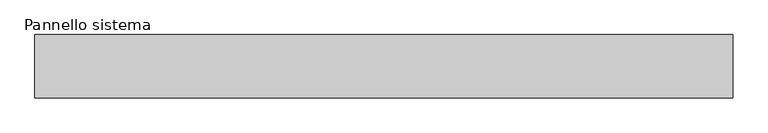
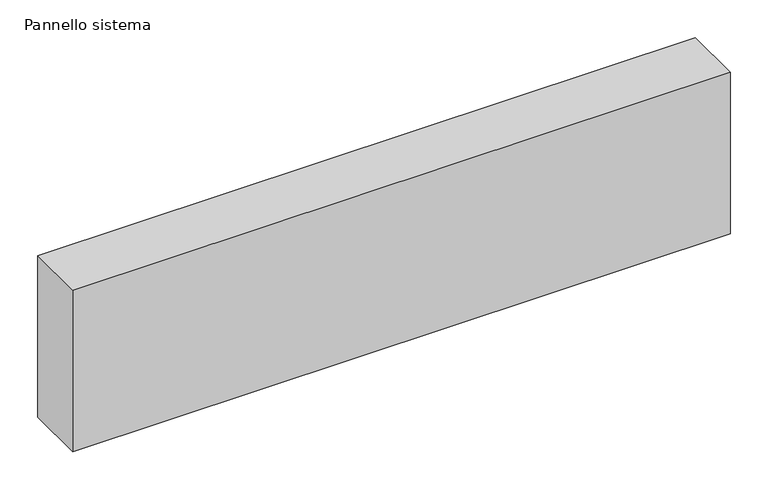
"""IFC4 building model written with IfcOpenShell, lengths in millimetres: plate geometry, Pannello sistema."""

import ifcopenshell
import ifcopenshell.guid

model = None  # the IFC model being written
_history = None  # IfcOwnerHistory: only IFC2X3 demands one
_inside = {}  # id of a spatial element -> (the spatial element, [elements in it])
_under = {}  # id of a project, library or spatial element -> (it, [spatial elements below it])
_declared = {}  # id of a project -> (the project, [libraries it declares])
_typed = {}  # id of a type object -> (the type object, [elements of that type])
_made_of = {}  # id of a material, layer set ... -> (it, [elements and type objects made of it])


def new_model(schema):
    """Start an empty IFC model of exactly this schema.

    Asked for "IFC4X3", IfcOpenShell would pick the latest addendum, in which some entities
    have other attributes; the version numbers below select the first issue.
    IFC2X3 requires an IfcOwnerHistory on every rooted entity: one is made here for all.
    """
    global model, _history
    if schema == "IFC4X3":
        model = ifcopenshell.file(schema_version=(4, 3, 0, 0))
    else:
        model = ifcopenshell.file(schema=schema)
    _inside.clear()
    _under.clear()
    _declared.clear()
    _typed.clear()
    _made_of.clear()
    _history = None
    if model.schema == "IFC2X3":
        org = make("IfcOrganization", Name="unknown")
        user = make(
            "IfcPersonAndOrganization",
            ThePerson=make("IfcPerson", FamilyName="unknown"),
            TheOrganization=org,
        )
        app = make(
            "IfcApplication",
            ApplicationDeveloper=org,
            Version="unknown",
            ApplicationFullName="unknown",
            ApplicationIdentifier="unknown",
        )
        _history = make(
            "IfcOwnerHistory",
            OwningUser=user,
            OwningApplication=app,
            ChangeAction="ADDED",
            CreationDate=0,
        )
    return model


def make(cls, **values):
    """One entity of the class cls with the attributes given. An attribute that is None is left unset."""
    return model.create_entity(
        cls, **{name: value for name, value in values.items() if value is not None}
    )


def rooted(cls, **values):
    """An entity with a GlobalId (a new one), such as an element, a storey or a relation."""
    return make(cls, GlobalId=ifcopenshell.guid.new(), OwnerHistory=_history, **values)


def si_unit(unit_type, name, prefix=None):
    """IfcSIUnit, for example si_unit("LENGTHUNIT", "METRE", prefix="MILLI")."""
    return make("IfcSIUnit", UnitType=unit_type, Prefix=prefix, Name=name)


def assignment(units):
    """IfcUnitAssignment: the units of a project."""
    return None if units is None else make("IfcUnitAssignment", Units=units)


def point(xyz):
    """IfcCartesianPoint."""
    return None if xyz is None else make("IfcCartesianPoint", Coordinates=xyz)


def direction(xyz):
    """IfcDirection."""
    return None if xyz is None else make("IfcDirection", DirectionRatios=xyz)


def frame(location, z_axis=None, x_axis=None):
    """IfcAxis2Placement3D, a coordinate frame: its origin and axes. An axis left out is left unset."""
    return make(
        "IfcAxis2Placement3D",
        Location=point(location),
        Axis=direction(z_axis),
        RefDirection=direction(x_axis),
    )


def origin():
    """The frame at (0, 0, 0) with its axes left unset."""
    return frame((0.0, 0.0, 0.0))


def origin_with_axes():
    """The frame at (0, 0, 0) with the z axis (0, 0, 1) and the x axis (1, 0, 0) written out."""
    return frame((0.0, 0.0, 0.0), z_axis=(0.0, 0.0, 1.0), x_axis=(1.0, 0.0, 0.0))


def place(relative_to, where):
    """IfcLocalPlacement: puts the frame where relative to a parent placement (None: the world)."""
    return make(
        "IfcLocalPlacement", PlacementRelTo=relative_to, RelativePlacement=where
    )


def context(
    kind, dimensions, precision=None, world=None, true_north=None, identifier=None
):
    """IfcGeometricRepresentationContext, for example the 3D "Model" context."""
    return make(
        "IfcGeometricRepresentationContext",
        ContextIdentifier=identifier,
        ContextType=kind,
        CoordinateSpaceDimension=dimensions,
        Precision=precision,
        WorldCoordinateSystem=world,
        TrueNorth=true_north,
    )


def project(units=None, contexts=None):
    """IfcProject with its units and contexts."""
    return rooted(
        "IfcProject",
        Name="project",
        RepresentationContexts=contexts,
        UnitsInContext=assignment(units),
    )


def spatial(cls, under=None, at=None, **own):
    """A site, building, storey or space (cls), placed at a placement, below another one or the project."""
    s = rooted(cls, ObjectPlacement=at, **own)
    if under is not None:
        _under.setdefault(under.id(), (under, []))[1].append(s)
    return s


def polyline(points):
    """IfcPolyline through the points."""
    return make("IfcPolyline", Points=[point(p) for p in points])


def outline(outer, holes=None, kind="AREA"):
    """IfcArbitraryClosedProfileDef: a profile drawn as a closed curve; with holes, ...WithVoids."""
    if holes is None:
        return make("IfcArbitraryClosedProfileDef", ProfileType=kind, OuterCurve=outer)
    return make(
        "IfcArbitraryProfileDefWithVoids",
        ProfileType=kind,
        OuterCurve=outer,
        InnerCurves=holes,
    )


def extrude(swept, where, along, depth):
    """IfcExtrudedAreaSolid: the profile swept, set in the frame where, extruded along a direction by depth."""
    return make(
        "IfcExtrudedAreaSolid",
        SweptArea=swept,
        Position=where,
        ExtrudedDirection=direction(along),
        Depth=depth,
    )


def shape(context_of_items, identifier, shape_type, items):
    """IfcShapeRepresentation: the items that make up one representation, for example the "Body"."""
    return make(
        "IfcShapeRepresentation",
        ContextOfItems=context_of_items,
        RepresentationIdentifier=identifier,
        RepresentationType=shape_type,
        Items=items,
    )


def source(mapping_origin, context_of_items, identifier, shape_type, items):
    """IfcRepresentationMap: a shape defined once, which mapped items show again and again."""
    return make(
        "IfcRepresentationMap",
        MappingOrigin=mapping_origin,
        MappedRepresentation=shape(context_of_items, identifier, shape_type, items),
    )


def transform(
    local_origin,
    x_axis=None,
    y_axis=None,
    z_axis=None,
    scale=None,
    scale2=None,
    scale3=None,
    uniform=True,
):
    """IfcCartesianTransformationOperator3D, or its non-uniform kind. x_axis, y_axis, z_axis: its Axis1, 2, 3."""
    if uniform:
        return make(
            "IfcCartesianTransformationOperator3D",
            Axis1=direction(x_axis),
            Axis2=direction(y_axis),
            LocalOrigin=point(local_origin),
            Scale=scale,
            Axis3=direction(z_axis),
        )
    return make(
        "IfcCartesianTransformationOperator3DnonUniform",
        Axis1=direction(x_axis),
        Axis2=direction(y_axis),
        LocalOrigin=point(local_origin),
        Scale=scale,
        Axis3=direction(z_axis),
        Scale2=scale2,
        Scale3=scale3,
    )


def mapped(mapping_source, mapping_target):
    """IfcMappedItem: shows the shape of a source again, moved by a transform."""
    return make(
        "IfcMappedItem", MappingSource=mapping_source, MappingTarget=mapping_target
    )


def made_of(thing, what):
    """Note that an element or type object is made of a material, layer set ...; save() writes the relation."""
    if what is not None:
        _made_of.setdefault(what.id(), (what, []))[1].append(thing)
    return thing


def element(
    cls,
    number,
    at=None,
    inside=None,
    cuts=None,
    type_object=None,
    material=None,
    context=None,
    identifier="Body",
    shape_type=None,
    held_by="IfcProductDefinitionShape",
    body=None,
    shapes=None,
    **own,
):
    """One element of the class cls, such as IfcWall. Its Tag is "e" and its number.

    at: its placement. inside: the storey or other place that contains it. cuts: it is an
    opening in that element (IfcRelVoidsElement). A single representation is given by context,
    identifier, shape_type and body (its items); several are given by shapes. held_by: the class
    of the entity that holds the representations. save() writes the other relations.
    """
    e = rooted(cls, Tag="e%d" % number, ObjectPlacement=at, **own)
    if body is not None:
        shapes = [shape(context, identifier, shape_type, body)]
    if shapes is not None:
        e.Representation = make(held_by, Representations=shapes)
    if inside is not None:
        _inside.setdefault(inside.id(), (inside, []))[1].append(e)
    if cuts is not None:
        rooted(
            "IfcRelVoidsElement", RelatingBuildingElement=cuts, RelatedOpeningElement=e
        )
    if type_object is not None:
        _typed.setdefault(type_object.id(), (type_object, []))[1].append(e)
    return made_of(e, material)


def aggregate(whole, parts):
    """IfcRelAggregates: a whole, such as a stair, and the parts it consists of."""
    return rooted("IfcRelAggregates", RelatingObject=whole, RelatedObjects=parts)


def save(model, path):
    """Write the relations noted so far, then the file.

    IfcRelAggregates (storeys below a building ...), IfcRelContainedInSpatialStructure (elements
    in a storey), IfcRelDefinesByType, IfcRelAssociatesMaterial and IfcRelDeclares: one each for
    every whole, place, type object, material and project.
    """
    for whole, parts in _under.values():
        aggregate(whole, parts)
    for where, things in _inside.values():
        rooted(
            "IfcRelContainedInSpatialStructure",
            RelatedElements=things,
            RelatingStructure=where,
        )
    for kind, things in _typed.values():
        rooted("IfcRelDefinesByType", RelatedObjects=things, RelatingType=kind)
    for what, things in _made_of.values():
        rooted("IfcRelAssociatesMaterial", RelatedObjects=things, RelatingMaterial=what)
    for by, libraries in _declared.values():
        rooted("IfcRelDeclares", RelatingContext=by, RelatedDefinitions=libraries)
    model.write(path)


def pannello_sistema_37a5db78(model_context):
    return source(origin(), model_context, "Body", "SweptSolid", [
        extrude(outline(polyline([(500.0, -45.5), (-500.0, -45.5), (-500.0, 45.5), (500.0, 45.5), (500.0, -45.5)])), origin_with_axes(), (0.0, 0.0, 1.0), 260.0),
    ])


if __name__ == "__main__":
    model = new_model("IFC4")
    model_context = context("Model", 3, world=origin())
    ifc_project = project(units=[si_unit("LENGTHUNIT", "METRE", prefix="MILLI")], contexts=[model_context])
    site = spatial("IfcSite", under=ifc_project)
    building = spatial("IfcBuilding", under=site)
    placement = place(None, origin())
    pannello_sistema_shape = pannello_sistema_37a5db78(model_context)
    element("IfcPlate", 1, ObjectType="Pannello sistema", at=placement, inside=building, context=model_context, shape_type="MappedRepresentation", body=[
        mapped(pannello_sistema_shape, transform((0.0, 0.0, 0.0), x_axis=(1.0, 0.0, 0.0), y_axis=(0.0, 1.0, 0.0), z_axis=(0.0, 0.0, 1.0))),
    ])
    save(model, "model.ifc")
